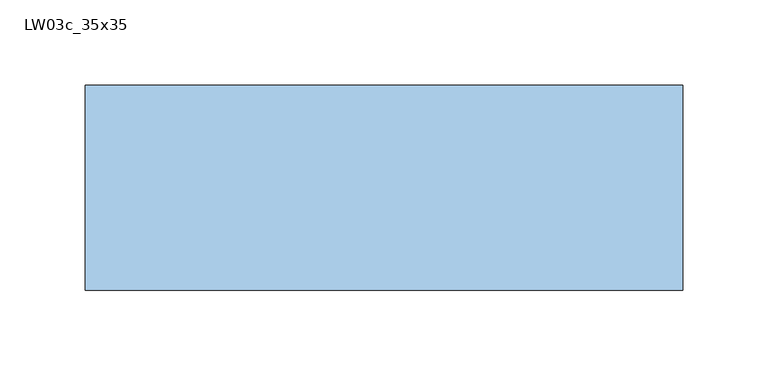
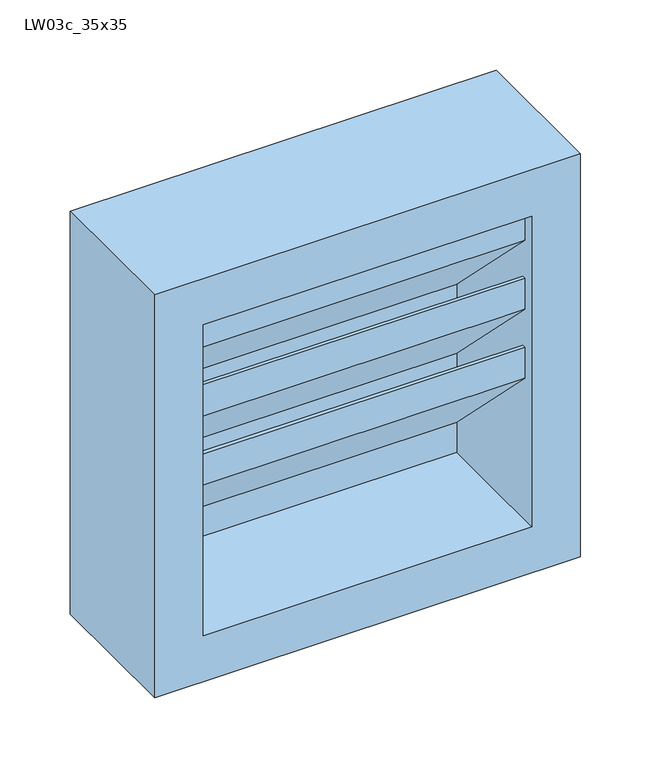
"""IFC4 building model written with IfcOpenShell, lengths in millimetres: window geometry, LW03c_35x35."""

from ifc_helpers import new_model, si_unit, frame, origin, place, context, project, spatial, polyline, outline, extrude, source, transform, mapped, element, save


def lw03c_35x35_120d96b2(model_context):
    return source(origin(), model_context, "Body", "SweptSolid", [
        extrude(outline(polyline([(-47.0, 600.0), (-47.0, 574.1213203), (50.0, 477.1213203), (50.0, 450.0), (47.0, 450.0), (47.0, 475.8786797), (-50.0, 572.8786797), (-50.0, 600.0), (-47.0, 600.0)])), frame((-135.0, 0.0, 0.0), z_axis=(1.0, 0.0, 0.0), x_axis=(0.0, 1.0, 0.0)), (0.0, 0.0, 1.0), 270.0),
        extrude(outline(polyline([(-47.0, 660.0), (-47.0, 634.1213203), (50.0, 537.1213203), (50.0, 510.0), (47.0, 510.0), (47.0, 535.8786797), (-50.0, 632.8786797), (-50.0, 660.0), (-47.0, 660.0)])), frame((-135.0, 0.0, 0.0), z_axis=(1.0, 0.0, 0.0), x_axis=(0.0, 1.0, 0.0)), (0.0, 0.0, 1.0), 270.0),
        extrude(outline(polyline([(-47.0, 540.0), (-47.0, 514.1213203), (50.0, 417.1213203), (50.0, 390.0), (47.0, 390.0), (47.0, 415.8786797), (-50.0, 512.8786797), (-50.0, 540.0), (-47.0, 540.0)])), frame((-135.0, 0.0, 0.0), z_axis=(1.0, 0.0, 0.0), x_axis=(0.0, 1.0, 0.0)), (0.0, 0.0, 1.0), 270.0),
        extrude(outline(polyline([(350.0, 175.0), (700.0, 175.0), (700.0, -175.0), (350.0, -175.0), (350.0, 175.0)]), holes=[polyline([(660.0, -135.0), (660.0, 135.0), (390.0, 135.0), (390.0, -135.0), (660.0, -135.0)])]), frame((0.0, -60.0, 0.0), z_axis=(0.0, 1.0, 0.0), x_axis=(0.0, 0.0, 1.0)), (0.0, 0.0, 1.0), 120.0),
    ])


if __name__ == "__main__":
    model = new_model("IFC4")
    model_context = context("Model", 3, world=origin())
    ifc_project = project(units=[si_unit("LENGTHUNIT", "METRE", prefix="MILLI")], contexts=[model_context])
    site = spatial("IfcSite", under=ifc_project)
    building = spatial("IfcBuilding", under=site)
    placement = place(None, origin())
    lw03c_35x35_shape = lw03c_35x35_120d96b2(model_context)
    element("IfcWindow", 1, ObjectType="LW03c_35x35", at=placement, inside=building, context=model_context, shape_type="MappedRepresentation", body=[
        mapped(lw03c_35x35_shape, transform((0.0, 0.0, 0.0), x_axis=(1.0, 0.0, 0.0), y_axis=(0.0, 1.0, 0.0), z_axis=(0.0, 0.0, 1.0))),
    ])
    save(model, "model.ifc")
